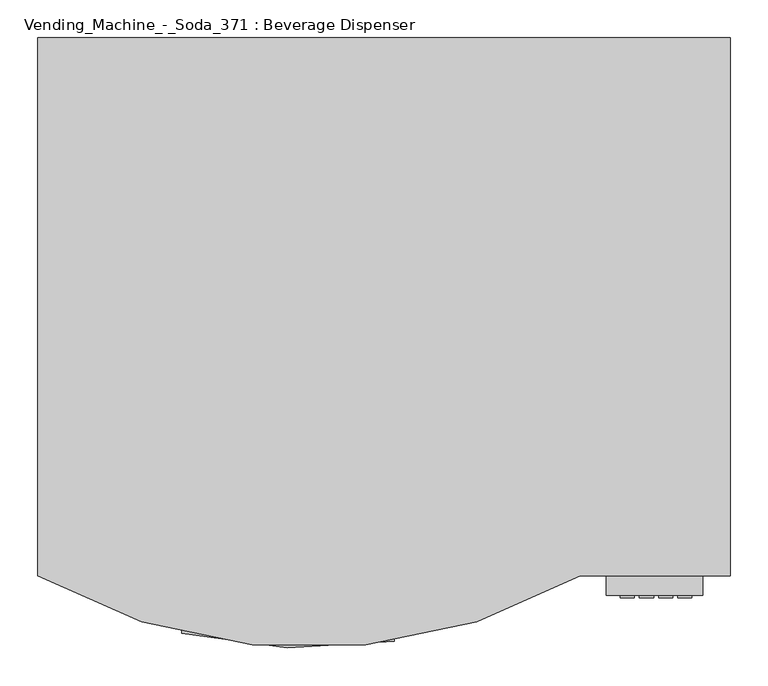
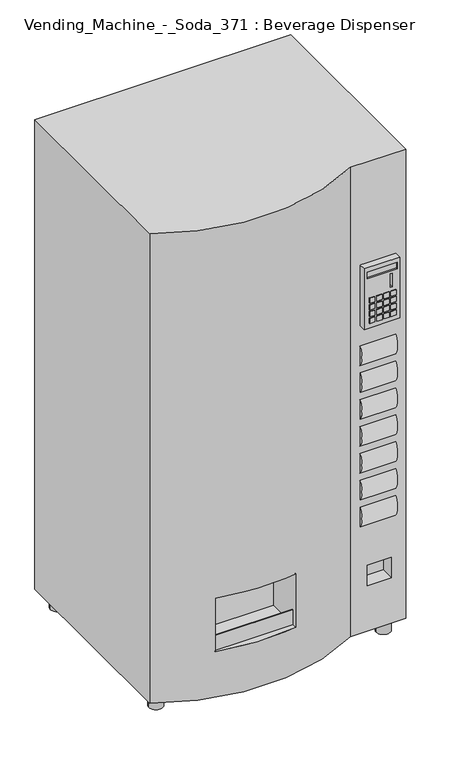
"""IFC4 building model written with IfcOpenShell, lengths in millimetres: proxy geometry, Vending_Machine_-_Soda_371 : Beverage Dispenser."""

from ifc_helpers import new_model, si_unit, point, frame, frame_2d, origin, origin_with_axes, place, context, project, spatial, polyline, circle_curve, trimmed, segment, composite_curve, outline, extrude, faceted_brep, source, transform, mapped, element, save
from ifc_brep_helpers import plane_surface, cylinder_surface, advanced_brep


def vending_machine_soda_371_beverage_dispenser_3707c9b5(model_context):
    return source(origin(), model_context, "Body", "SolidModel", [
        advanced_brep(
        [(438.7248817, 439.3636391, 1828.8), (-475.6751183, 439.3636391, 1828.8), (-475.6751183, -271.8363609, 1828.8), (240.962407, -271.8363609, 1828.8), (438.7248817, -271.8363609, 1828.8), (438.7248817, 439.3636391, 55.4895962), (438.7248817, -271.8363609, 55.4895962), (240.962407, -271.8363609, 55.4895962), (-475.6751183, -271.8363609, 55.4895962), (-475.6751183, 439.3636391, 55.4895962), (-285.8560243, -347.1225541, 431.8), (-4.9505365, -358.2607189, 431.8), (-4.9505365, -358.2607189, 229.9895559), (-285.8560243, -347.1225541, 229.9895559), (387.9248817, -271.8363609, 304.8), (387.9248817, -271.8363609, 227.0552601), (301.300731, -271.8363609, 227.0552601), (301.300731, -271.8363609, 304.8), (-4.9505365, -221.0363609, 431.8), (-285.8560243, -221.0363609, 431.8), (-285.8560243, -221.0363609, 229.9895559), (-4.9505365, -221.0363609, 229.9895559), (387.9248817, -221.0363609, 304.8), (301.300731, -221.0363609, 304.8), (301.300731, -221.0363609, 227.0552601), (387.9248817, -221.0363609, 227.0552601)],
        [
            (0, 1),
            (1, 2),
            (2, 3, circle_curve(frame((-117.3563557, 354.6542517, 1828.8), z_axis=(0.0, 0.0, 1.0), x_axis=(1.0, 0.0, 0.0)), 721.7221234)),
            (3, 4),
            (4, 0),
            (5, 6),
            (6, 7),
            (7, 8, circle_curve(frame((-117.3563557, 354.6542517, 55.4895962), z_axis=(0.0, 0.0, -1.0), x_axis=(1.0, 0.0, 0.0)), 721.7221234)),
            (8, 9),
            (9, 5),
            (0, 5),
            (9, 1),
            (8, 2),
            (7, 3),
            (10, 11, circle_curve(frame((-117.3563557, 354.6542517, 431.8), z_axis=(0.0, 0.0, 1.0), x_axis=(1.0, 0.0, 0.0)), 721.7221234)),
            (11, 12),
            (12, 13, circle_curve(frame((-117.3563557, 354.6542517, 229.9895559), z_axis=(0.0, 0.0, -1.0), x_axis=(1.0, 0.0, 0.0)), 721.7221234)),
            (13, 10),
            (6, 4),
            (14, 15),
            (15, 16),
            (16, 17),
            (17, 14),
            (18, 19),
            (19, 20),
            (20, 21),
            (21, 18),
            (18, 11),
            (10, 19),
            (13, 20),
            (12, 21),
            (22, 23),
            (23, 24),
            (24, 25),
            (25, 22),
            (25, 15),
            (14, 22),
            (24, 16),
            (23, 17),
        ],
        [
            plane_surface(frame((-475.6751183, 439.3636391, 1828.8), z_axis=(0.0, 0.0, 1.0), x_axis=(-1.0, 0.0, 0.0))),
            plane_surface(frame((-475.6751183, 439.3636391, 55.4895962), z_axis=(0.0, 0.0, -1.0), x_axis=(1.0, 0.0, 0.0))),
            plane_surface(frame((438.7248817, 439.3636391, 1828.8), z_axis=(0.0, 1.0, 0.0), x_axis=(0.0, 0.0, -1.0))),
            plane_surface(frame((-475.6751183, 439.3636391, 1828.8), z_axis=(-1.0, 0.0, 0.0), x_axis=(0.0, 0.0, -1.0))),
            cylinder_surface(frame((-117.3563557, 354.6542517, 55.4895962), z_axis=(0.0, 0.0, 1.0), x_axis=(1.0, 0.0, 0.0)), 721.7221234),
            plane_surface(frame((240.962407, -271.8363609, 1828.8), z_axis=(0.0, -1.0, 0.0), x_axis=(0.0, 0.0, -1.0))),
            plane_surface(frame((438.7248817, -271.8363609, 1828.8), z_axis=(1.0, 0.0, 0.0), x_axis=(0.0, 0.0, -1.0))),
            plane_surface(frame((-285.8560243, -221.0363609, 431.8), z_axis=(0.0, -1.0, 0.0), x_axis=(1.0, 0.0, 0.0))),
            plane_surface(frame((-4.9505365, -383.6604873, 431.8), z_axis=(0.0, 0.0, -1.0), x_axis=(0.0, 1.0, 0.0))),
            plane_surface(frame((-285.8560243, -383.6604873, 431.8), z_axis=(1.0, 0.0, 0.0), x_axis=(0.0, 1.0, 0.0))),
            plane_surface(frame((-285.8560243, -383.6604873, 229.9895559), z_axis=(0.0, 0.0, 1.0), x_axis=(0.0, 1.0, 0.0))),
            plane_surface(frame((-4.9505365, -383.6604873, 229.9895559), z_axis=(-1.0, 0.0, 0.0), x_axis=(0.0, 1.0, 0.0))),
            plane_surface(frame((387.9248817, -221.0363609, 304.8), z_axis=(0.0, -1.0, 0.0), x_axis=(0.0, 0.0, -1.0))),
            plane_surface(frame((387.9248817, -221.0363609, 304.8), z_axis=(-1.0, 0.0, 0.0), x_axis=(0.0, -1.0, 0.0))),
            plane_surface(frame((387.9248817, -221.0363609, 227.0552601), z_axis=(0.0, 0.0, 1.0), x_axis=(0.0, -1.0, 0.0))),
            plane_surface(frame((301.300731, -221.0363609, 227.0552601), z_axis=(1.0, 0.0, 0.0), x_axis=(0.0, -1.0, 0.0))),
            plane_surface(frame((301.300731, -221.0363609, 304.8), z_axis=(0.0, 0.0, -1.0), x_axis=(0.0, -1.0, 0.0))),
        ],
        [
            (0, [[1, 2, 3, 4, 5]]),
            (1, [[6, 7, 8, 9, 10]]),
            (2, [[-1, 11, -10, 12]]),
            (3, [[-2, -12, -9, 13]]),
            (4, [[-3, -13, -8, 14], [15, 16, 17, 18]]),
            (5, [[-4, -14, -7, 19], [20, 21, 22, 23]]),
            (6, [[-5, -19, -6, -11]]),
            (7, [[24, 25, 26, 27]]),
            (8, [[-24, 28, -15, 29]]),
            (9, [[-25, -29, -18, 30]]),
            (10, [[-26, -30, -17, 31]]),
            (11, [[-27, -31, -16, -28]]),
            (12, [[32, 33, 34, 35]]),
            (13, [[-35, 36, -20, 37]]),
            (14, [[-34, 38, -21, -36]]),
            (15, [[-33, 39, -22, -38]]),
            (16, [[-32, -37, -23, -39]]),
        ],
    ),
        extrude(outline(composite_curve([segment(trimmed(circle_curve(frame_2d((-216.0902216, 1105.4279487)), 67.5221597), [point((-271.8363609, 1067.3279487))], [point((-271.8363609, 1143.5279487))], False, "CARTESIAN"), True, "CONTINUOUS"), segment(polyline([(-271.8363609, 1143.5279487), (-271.8363609, 1067.3279487)]), True, "CONTINUOUS")], self_intersect=False)), frame((275.3159229, 0.0, 0.0), z_axis=(1.0, 0.0, 0.0), x_axis=(0.0, 1.0, 0.0)), (0.0, 0.0, 1.0), 127.0948963),
        extrude(outline(composite_curve([segment(trimmed(circle_curve(frame_2d((-216.0902216, 1003.8279487)), 67.5221597), [point((-271.8363609, 965.7279487))], [point((-271.8363609, 1041.9279487))], False, "CARTESIAN"), True, "CONTINUOUS"), segment(polyline([(-271.8363609, 1041.9279487), (-271.8363609, 965.7279487)]), True, "CONTINUOUS")], self_intersect=False)), frame((275.3159229, 0.0, 0.0), z_axis=(1.0, 0.0, 0.0), x_axis=(0.0, 1.0, 0.0)), (0.0, 0.0, 1.0), 127.0948963),
        extrude(outline(composite_curve([segment(trimmed(circle_curve(frame_2d((-216.0902216, 902.2279487)), 67.5221597), [point((-271.8363609, 864.1279487))], [point((-271.8363609, 940.3279487))], False, "CARTESIAN"), True, "CONTINUOUS"), segment(polyline([(-271.8363609, 940.3279487), (-271.8363609, 864.1279487)]), True, "CONTINUOUS")], self_intersect=False)), frame((275.3159229, 0.0, 0.0), z_axis=(1.0, 0.0, 0.0), x_axis=(0.0, 1.0, 0.0)), (0.0, 0.0, 1.0), 127.0948963),
        extrude(outline(composite_curve([segment(trimmed(circle_curve(frame_2d((-216.0902216, 800.6279487)), 67.5221597), [point((-271.8363609, 762.5279487))], [point((-271.8363609, 838.7279487))], False, "CARTESIAN"), True, "CONTINUOUS"), segment(polyline([(-271.8363609, 838.7279487), (-271.8363609, 762.5279487)]), True, "CONTINUOUS")], self_intersect=False)), frame((275.3159229, 0.0, 0.0), z_axis=(1.0, 0.0, 0.0), x_axis=(0.0, 1.0, 0.0)), (0.0, 0.0, 1.0), 127.0948963),
        extrude(outline(composite_curve([segment(trimmed(circle_curve(frame_2d((-216.0902216, 699.0279487)), 67.5221597), [point((-271.8363609, 660.9279487))], [point((-271.8363609, 737.1279487))], False, "CARTESIAN"), True, "CONTINUOUS"), segment(polyline([(-271.8363609, 737.1279487), (-271.8363609, 660.9279487)]), True, "CONTINUOUS")], self_intersect=False)), frame((275.3159229, 0.0, 0.0), z_axis=(1.0, 0.0, 0.0), x_axis=(0.0, 1.0, 0.0)), (0.0, 0.0, 1.0), 127.0948963),
        extrude(outline(composite_curve([segment(trimmed(circle_curve(frame_2d((-216.0902216, 597.4279487)), 67.5221597), [point((-271.8363609, 559.3279487))], [point((-271.8363609, 635.5279487))], False, "CARTESIAN"), True, "CONTINUOUS"), segment(polyline([(-271.8363609, 635.5279487), (-271.8363609, 559.3279487)]), True, "CONTINUOUS")], self_intersect=False)), frame((275.3159229, 0.0, 0.0), z_axis=(1.0, 0.0, 0.0), x_axis=(0.0, 1.0, 0.0)), (0.0, 0.0, 1.0), 127.0948963),
        extrude(outline(composite_curve([segment(trimmed(circle_curve(frame_2d((-216.0902216, 495.8279487)), 67.5221597), [point((-271.8363609, 457.7279487))], [point((-271.8363609, 533.9279487))], False, "CARTESIAN"), True, "CONTINUOUS"), segment(polyline([(-271.8363609, 533.9279487), (-271.8363609, 457.7279487)]), True, "CONTINUOUS")], self_intersect=False)), frame((275.3159229, 0.0, 0.0), z_axis=(1.0, 0.0, 0.0), x_axis=(0.0, 1.0, 0.0)), (0.0, 0.0, 1.0), 127.0948963),
        faceted_brep([(402.3159229, -297.2363609, 1448.3279487), (275.3159229, -297.2363609, 1448.3279487), (275.3159229, -297.2363609, 1219.7279487), (402.3159229, -297.2363609, 1219.7279487), (286.3445758, -297.2363609, 1432.5207795), (394.2945758, -297.2363609, 1432.5207795), (394.2945758, -297.2363609, 1407.1207795), (286.3445758, -297.2363609, 1407.1207795), (369.009172, -297.2363609, 1397.7730022), (375.359172, -297.2363609, 1397.7730022), (375.359172, -297.2363609, 1346.9730022), (369.009172, -297.2363609, 1346.9730022), (402.3159229, -271.8363609, 1448.3279487), (402.3159229, -271.8363609, 1219.7279487), (275.3159229, -271.8363609, 1219.7279487), (275.3159229, -271.8363609, 1448.3279487), (394.2945758, -290.8863609, 1432.5207795), (286.3445758, -290.8863609, 1432.5207795), (286.3445758, -290.8863609, 1407.1207795), (394.2945758, -290.8863609, 1407.1207795), (375.359172, -275.0113609, 1397.7730022), (369.009172, -275.0113609, 1397.7730022), (369.009172, -275.0113609, 1346.9730022), (375.359172, -275.0113609, 1346.9730022)], [[[0, 1, 2, 3], [4, 5, 6, 7], [8, 9, 10, 11]], [[12, 13, 14, 15]], [[1, 0, 12, 15]], [[2, 1, 15, 14]], [[3, 2, 14, 13]], [[0, 3, 13, 12]], [[16, 17, 18, 19]], [[17, 16, 5, 4]], [[18, 17, 4, 7]], [[19, 18, 7, 6]], [[16, 19, 6, 5]], [[20, 21, 22, 23]], [[21, 20, 9, 8]], [[22, 21, 8, 11]], [[23, 22, 11, 10]], [[20, 23, 10, 9]]]),
        extrude(outline(polyline([(-4.9505365, -342.4801109), (-285.8560243, -342.4801109), (-285.8560243, -339.3678837), (-4.9505365, -339.3678837), (-4.9505365, -342.4801109)])), frame((0.0, 0.0, 227.0552601), z_axis=(0.0, 0.0, 1.0), x_axis=(1.0, 0.0, 0.0)), (0.0, 0.0, 1.0), 59.7862005),
        extrude(outline(composite_curve([segment(trimmed(circle_curve(frame_2d((-424.8751183, 388.5636391)), 25.4), [point((-450.2751183, 388.5636391))], [point((-399.4751183, 388.5636391))], False, "CARTESIAN"), True, "CONTINUOUS"), segment(trimmed(circle_curve(frame_2d((-424.8751183, 388.5636391)), 25.4), [point((-399.4751183, 388.5636391))], [point((-450.2751183, 388.5636391))], False, "CARTESIAN"), True, "CONTINUOUS")], self_intersect=False)), origin_with_axes(), (0.0, 0.0, 1.0), 55.5625),
        extrude(outline(composite_curve([segment(trimmed(circle_curve(frame_2d((387.9248817, 388.5636391)), 25.4), [point((362.5248817, 388.5636391))], [point((413.3248817, 388.5636391))], False, "CARTESIAN"), True, "CONTINUOUS"), segment(trimmed(circle_curve(frame_2d((387.9248817, 388.5636391)), 25.4), [point((413.3248817, 388.5636391))], [point((362.5248817, 388.5636391))], False, "CARTESIAN"), True, "CONTINUOUS")], self_intersect=False)), origin_with_axes(), (0.0, 0.0, 1.0), 55.5625),
        extrude(outline(composite_curve([segment(trimmed(circle_curve(frame_2d((387.9248817, -221.0363609)), 25.4), [point((362.5248817, -221.0363609))], [point((413.3248817, -221.0363609))], False, "CARTESIAN"), True, "CONTINUOUS"), segment(trimmed(circle_curve(frame_2d((387.9248817, -221.0363609)), 25.4), [point((413.3248817, -221.0363609))], [point((362.5248817, -221.0363609))], False, "CARTESIAN"), True, "CONTINUOUS")], self_intersect=False)), origin_with_axes(), (0.0, 0.0, 1.0), 55.5625),
        extrude(outline(composite_curve([segment(trimmed(circle_curve(frame_2d((-424.8751183, -221.0363609)), 25.4), [point((-450.2751183, -221.0363609))], [point((-399.4751183, -221.0363609))], False, "CARTESIAN"), True, "CONTINUOUS"), segment(trimmed(circle_curve(frame_2d((-424.8751183, -221.0363609)), 25.4), [point((-399.4751183, -221.0363609))], [point((-450.2751183, -221.0363609))], False, "CARTESIAN"), True, "CONTINUOUS")], self_intersect=False)), origin_with_axes(), (0.0, 0.0, 1.0), 55.5625),
        extrude(outline(polyline([(312.3802372, -300.4113609), (293.3302372, -300.4113609), (293.3302372, -297.2363609), (312.3802372, -297.2363609), (312.3802372, -300.4113609)])), frame((0.0, 0.0, 1313.6452473), z_axis=(0.0, 0.0, 1.0), x_axis=(1.0, 0.0, 0.0)), (0.0, 0.0, 1.0), 19.05),
        extrude(outline(polyline([(312.3802372, -300.4113609), (293.3302372, -300.4113609), (293.3302372, -297.2363609), (312.3802372, -297.2363609), (312.3802372, -300.4113609)])), frame((0.0, 0.0, 1237.4452473), z_axis=(0.0, 0.0, 1.0), x_axis=(1.0, 0.0, 0.0)), (0.0, 0.0, 1.0), 19.05),
        extrude(outline(polyline([(387.9248817, -300.4113609), (369.5302372, -300.4113609), (369.5302372, -297.2363609), (387.9248817, -297.2363609), (387.9248817, -300.4113609)])), frame((0.0, 0.0, 1237.4452473), z_axis=(0.0, 0.0, 1.0), x_axis=(1.0, 0.0, 0.0)), (0.0, 0.0, 1.0), 19.05),
        extrude(outline(polyline([(387.9248817, -300.4113609), (369.5302372, -300.4113609), (369.5302372, -297.2363609), (387.9248817, -297.2363609), (387.9248817, -300.4113609)])), frame((0.0, 0.0, 1313.6452473), z_axis=(0.0, 0.0, 1.0), x_axis=(1.0, 0.0, 0.0)), (0.0, 0.0, 1.0), 19.05),
        extrude(outline(polyline([(312.3802372, -300.4113609), (293.3302372, -300.4113609), (293.3302372, -297.2363609), (312.3802372, -297.2363609), (312.3802372, -300.4113609)])), frame((0.0, 0.0, 1288.2452473), z_axis=(0.0, 0.0, 1.0), x_axis=(1.0, 0.0, 0.0)), (0.0, 0.0, 1.0), 19.05),
        extrude(outline(polyline([(312.3802372, -300.4113609), (293.3302372, -300.4113609), (293.3302372, -297.2363609), (312.3802372, -297.2363609), (312.3802372, -300.4113609)])), frame((0.0, 0.0, 1262.8452473), z_axis=(0.0, 0.0, 1.0), x_axis=(1.0, 0.0, 0.0)), (0.0, 0.0, 1.0), 19.05),
        extrude(outline(polyline([(337.7802372, -300.4113609), (318.7302372, -300.4113609), (318.7302372, -297.2363609), (337.7802372, -297.2363609), (337.7802372, -300.4113609)])), frame((0.0, 0.0, 1313.6452473), z_axis=(0.0, 0.0, 1.0), x_axis=(1.0, 0.0, 0.0)), (0.0, 0.0, 1.0), 19.05),
        extrude(outline(polyline([(363.1802372, -300.4113609), (344.1302372, -300.4113609), (344.1302372, -297.2363609), (363.1802372, -297.2363609), (363.1802372, -300.4113609)])), frame((0.0, 0.0, 1313.6452473), z_axis=(0.0, 0.0, 1.0), x_axis=(1.0, 0.0, 0.0)), (0.0, 0.0, 1.0), 19.05),
        extrude(outline(polyline([(337.7802372, -300.4113609), (318.7302372, -300.4113609), (318.7302372, -297.2363609), (337.7802372, -297.2363609), (337.7802372, -300.4113609)])), frame((0.0, 0.0, 1237.4452473), z_axis=(0.0, 0.0, 1.0), x_axis=(1.0, 0.0, 0.0)), (0.0, 0.0, 1.0), 19.05),
        extrude(outline(polyline([(363.1802372, -300.4113609), (344.1302372, -300.4113609), (344.1302372, -297.2363609), (363.1802372, -297.2363609), (363.1802372, -300.4113609)])), frame((0.0, 0.0, 1237.4452473), z_axis=(0.0, 0.0, 1.0), x_axis=(1.0, 0.0, 0.0)), (0.0, 0.0, 1.0), 19.05),
        extrude(outline(polyline([(387.9248817, -300.4113609), (369.5302372, -300.4113609), (369.5302372, -297.2363609), (387.9248817, -297.2363609), (387.9248817, -300.4113609)])), frame((0.0, 0.0, 1262.8452473), z_axis=(0.0, 0.0, 1.0), x_axis=(1.0, 0.0, 0.0)), (0.0, 0.0, 1.0), 19.05),
        extrude(outline(polyline([(387.9248817, -300.4113609), (369.5302372, -300.4113609), (369.5302372, -297.2363609), (387.9248817, -297.2363609), (387.9248817, -300.4113609)])), frame((0.0, 0.0, 1288.2452473), z_axis=(0.0, 0.0, 1.0), x_axis=(1.0, 0.0, 0.0)), (0.0, 0.0, 1.0), 19.05),
        extrude(outline(polyline([(337.7802372, -300.4113609), (318.7302372, -300.4113609), (318.7302372, -297.2363609), (337.7802372, -297.2363609), (337.7802372, -300.4113609)])), frame((0.0, 0.0, 1262.8452473), z_axis=(0.0, 0.0, 1.0), x_axis=(1.0, 0.0, 0.0)), (0.0, 0.0, 1.0), 19.05),
        extrude(outline(polyline([(363.1802372, -300.4113609), (344.1302372, -300.4113609), (344.1302372, -297.2363609), (363.1802372, -297.2363609), (363.1802372, -300.4113609)])), frame((0.0, 0.0, 1262.8452473), z_axis=(0.0, 0.0, 1.0), x_axis=(1.0, 0.0, 0.0)), (0.0, 0.0, 1.0), 19.05),
        extrude(outline(polyline([(363.1802372, -300.4113609), (344.1302372, -300.4113609), (344.1302372, -297.2363609), (363.1802372, -297.2363609), (363.1802372, -300.4113609)])), frame((0.0, 0.0, 1288.2452473), z_axis=(0.0, 0.0, 1.0), x_axis=(1.0, 0.0, 0.0)), (0.0, 0.0, 1.0), 19.05),
        extrude(outline(polyline([(337.7802372, -300.4113609), (318.7302372, -300.4113609), (318.7302372, -297.2363609), (337.7802372, -297.2363609), (337.7802372, -300.4113609)])), frame((0.0, 0.0, 1288.2452473), z_axis=(0.0, 0.0, 1.0), x_axis=(1.0, 0.0, 0.0)), (0.0, 0.0, 1.0), 19.05),
    ])


if __name__ == "__main__":
    model = new_model("IFC4")
    model_context = context("Model", 3, world=origin())
    ifc_project = project(units=[si_unit("LENGTHUNIT", "METRE", prefix="MILLI")], contexts=[model_context])
    site = spatial("IfcSite", under=ifc_project)
    building = spatial("IfcBuilding", under=site)
    placement = place(None, origin())
    vending_machine_soda_371_beverage_dispenser_shape = vending_machine_soda_371_beverage_dispenser_3707c9b5(model_context)
    element("IfcBuildingElementProxy", 1, Name="Vending_Machine_-_Soda_371 : Beverage Dispenser", ObjectType="Vending_Machine_-_Soda_371 : Beverage Dispenser", at=placement, inside=building, context=model_context, shape_type="MappedRepresentation", body=[
        mapped(vending_machine_soda_371_beverage_dispenser_shape, transform((0.0, 0.0, 0.0), x_axis=(1.0, 0.0, 0.0), y_axis=(0.0, 1.0, 0.0), z_axis=(0.0, 0.0, 1.0))),
    ])
    save(model, "model.ifc")
